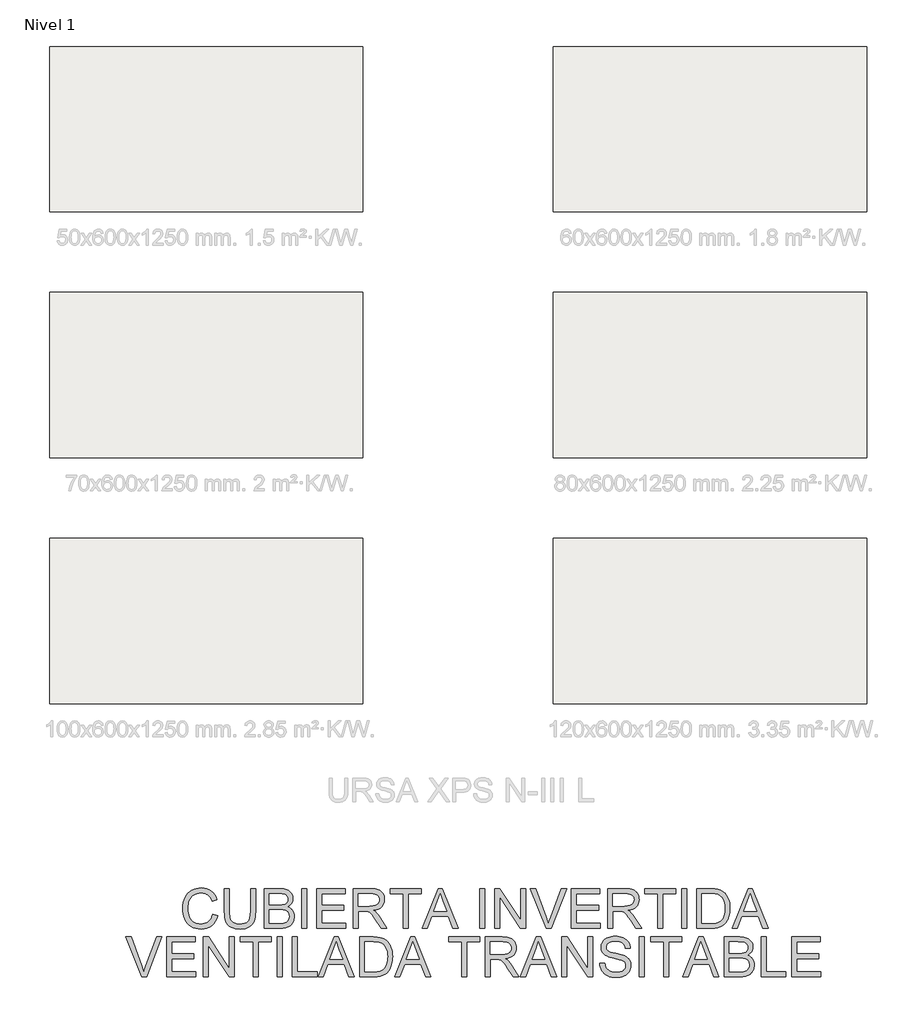
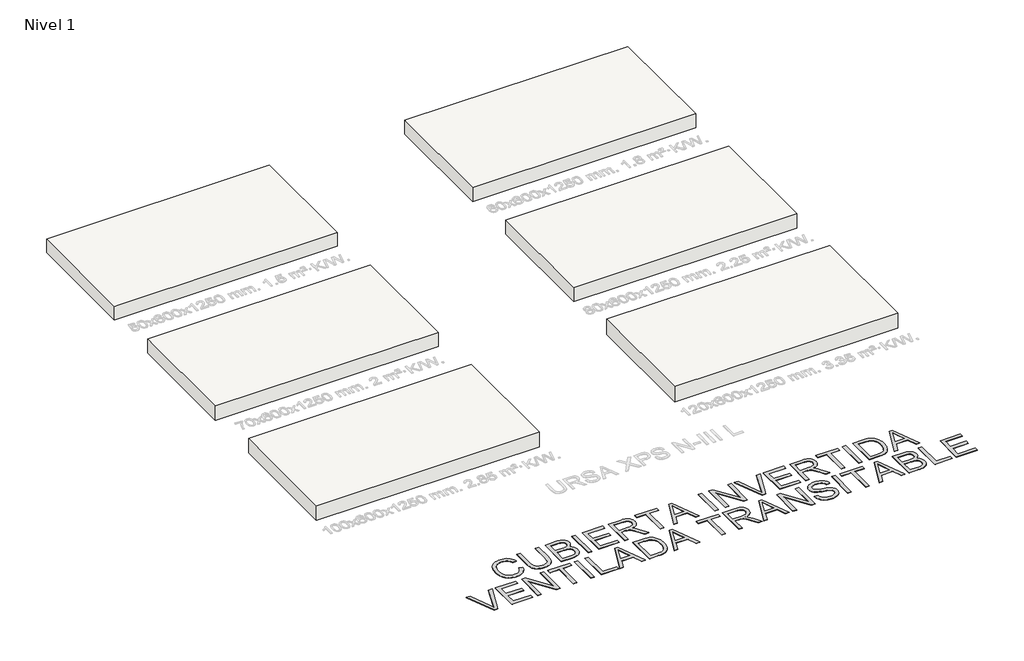
# One storey, part 1 of 7: 6 roofs, 1 proxy.
"""IFC4 building model written with IfcOpenShell, lengths in millimetres."""

import ifcopenshell
import ifcopenshell.guid

model = None  # the IFC model being written
_history = None  # IfcOwnerHistory: only IFC2X3 demands one
_inside = {}  # id of a spatial element -> (the spatial element, [elements in it])
_under = {}  # id of a project, library or spatial element -> (it, [spatial elements below it])
_declared = {}  # id of a project -> (the project, [libraries it declares])
_typed = {}  # id of a type object -> (the type object, [elements of that type])
_made_of = {}  # id of a material, layer set ... -> (it, [elements and type objects made of it])


def new_model(schema):
    """Start an empty IFC model of exactly this schema.

    Asked for "IFC4X3", IfcOpenShell would pick the latest addendum, in which some entities
    have other attributes; the version numbers below select the first issue.
    IFC2X3 requires an IfcOwnerHistory on every rooted entity: one is made here for all.
    """
    global model, _history
    if schema == "IFC4X3":
        model = ifcopenshell.file(schema_version=(4, 3, 0, 0))
    else:
        model = ifcopenshell.file(schema=schema)
    _inside.clear()
    _under.clear()
    _declared.clear()
    _typed.clear()
    _made_of.clear()
    _history = None
    if model.schema == "IFC2X3":
        org = make("IfcOrganization", Name="unknown")
        user = make(
            "IfcPersonAndOrganization",
            ThePerson=make("IfcPerson", FamilyName="unknown"),
            TheOrganization=org,
        )
        app = make(
            "IfcApplication",
            ApplicationDeveloper=org,
            Version="unknown",
            ApplicationFullName="unknown",
            ApplicationIdentifier="unknown",
        )
        _history = make(
            "IfcOwnerHistory",
            OwningUser=user,
            OwningApplication=app,
            ChangeAction="ADDED",
            CreationDate=0,
        )
    return model


def make(cls, **values):
    """One entity of the class cls with the attributes given. An attribute that is None is left unset."""
    return model.create_entity(
        cls, **{name: value for name, value in values.items() if value is not None}
    )


def rooted(cls, **values):
    """An entity with a GlobalId (a new one), such as an element, a storey or a relation."""
    return make(cls, GlobalId=ifcopenshell.guid.new(), OwnerHistory=_history, **values)


def si_unit(unit_type, name, prefix=None):
    """IfcSIUnit, for example si_unit("LENGTHUNIT", "METRE", prefix="MILLI")."""
    return make("IfcSIUnit", UnitType=unit_type, Prefix=prefix, Name=name)


def assignment(units):
    """IfcUnitAssignment: the units of a project."""
    return None if units is None else make("IfcUnitAssignment", Units=units)


def point(xyz):
    """IfcCartesianPoint."""
    return None if xyz is None else make("IfcCartesianPoint", Coordinates=xyz)


def direction(xyz):
    """IfcDirection."""
    return None if xyz is None else make("IfcDirection", DirectionRatios=xyz)


def frame(location, z_axis=None, x_axis=None):
    """IfcAxis2Placement3D, a coordinate frame: its origin and axes. An axis left out is left unset."""
    return make(
        "IfcAxis2Placement3D",
        Location=point(location),
        Axis=direction(z_axis),
        RefDirection=direction(x_axis),
    )


def origin():
    """The frame at (0, 0, 0) with its axes left unset."""
    return frame((0.0, 0.0, 0.0))


def origin_with_axes():
    """The frame at (0, 0, 0) with the z axis (0, 0, 1) and the x axis (1, 0, 0) written out."""
    return frame((0.0, 0.0, 0.0), z_axis=(0.0, 0.0, 1.0), x_axis=(1.0, 0.0, 0.0))


def place(relative_to, where):
    """IfcLocalPlacement: puts the frame where relative to a parent placement (None: the world)."""
    return make(
        "IfcLocalPlacement", PlacementRelTo=relative_to, RelativePlacement=where
    )


def context(
    kind, dimensions, precision=None, world=None, true_north=None, identifier=None
):
    """IfcGeometricRepresentationContext, for example the 3D "Model" context."""
    return make(
        "IfcGeometricRepresentationContext",
        ContextIdentifier=identifier,
        ContextType=kind,
        CoordinateSpaceDimension=dimensions,
        Precision=precision,
        WorldCoordinateSystem=world,
        TrueNorth=true_north,
    )


def project(units=None, contexts=None):
    """IfcProject with its units and contexts."""
    return rooted(
        "IfcProject",
        Name="project",
        RepresentationContexts=contexts,
        UnitsInContext=assignment(units),
    )


def spatial(cls, under=None, at=None, **own):
    """A site, building, storey or space (cls), placed at a placement, below another one or the project."""
    s = rooted(cls, ObjectPlacement=at, **own)
    if under is not None:
        _under.setdefault(under.id(), (under, []))[1].append(s)
    return s


def polyline(points):
    """IfcPolyline through the points."""
    return make("IfcPolyline", Points=[point(p) for p in points])


def outline(outer, holes=None, kind="AREA"):
    """IfcArbitraryClosedProfileDef: a profile drawn as a closed curve; with holes, ...WithVoids."""
    if holes is None:
        return make("IfcArbitraryClosedProfileDef", ProfileType=kind, OuterCurve=outer)
    return make(
        "IfcArbitraryProfileDefWithVoids",
        ProfileType=kind,
        OuterCurve=outer,
        InnerCurves=holes,
    )


def extrude(swept, where, along, depth):
    """IfcExtrudedAreaSolid: the profile swept, set in the frame where, extruded along a direction by depth."""
    return make(
        "IfcExtrudedAreaSolid",
        SweptArea=swept,
        Position=where,
        ExtrudedDirection=direction(along),
        Depth=depth,
    )


def shape(context_of_items, identifier, shape_type, items):
    """IfcShapeRepresentation: the items that make up one representation, for example the "Body"."""
    return make(
        "IfcShapeRepresentation",
        ContextOfItems=context_of_items,
        RepresentationIdentifier=identifier,
        RepresentationType=shape_type,
        Items=items,
    )


def made_of(thing, what):
    """Note that an element or type object is made of a material, layer set ...; save() writes the relation."""
    if what is not None:
        _made_of.setdefault(what.id(), (what, []))[1].append(thing)
    return thing


def element(
    cls,
    number,
    at=None,
    inside=None,
    cuts=None,
    type_object=None,
    material=None,
    context=None,
    identifier="Body",
    shape_type=None,
    held_by="IfcProductDefinitionShape",
    body=None,
    shapes=None,
    **own,
):
    """One element of the class cls, such as IfcWall. Its Tag is "e" and its number.

    at: its placement. inside: the storey or other place that contains it. cuts: it is an
    opening in that element (IfcRelVoidsElement). A single representation is given by context,
    identifier, shape_type and body (its items); several are given by shapes. held_by: the class
    of the entity that holds the representations. save() writes the other relations.
    """
    e = rooted(cls, Tag="e%d" % number, ObjectPlacement=at, **own)
    if body is not None:
        shapes = [shape(context, identifier, shape_type, body)]
    if shapes is not None:
        e.Representation = make(held_by, Representations=shapes)
    if inside is not None:
        _inside.setdefault(inside.id(), (inside, []))[1].append(e)
    if cuts is not None:
        rooted(
            "IfcRelVoidsElement", RelatingBuildingElement=cuts, RelatedOpeningElement=e
        )
    if type_object is not None:
        _typed.setdefault(type_object.id(), (type_object, []))[1].append(e)
    return made_of(e, material)


def aggregate(whole, parts):
    """IfcRelAggregates: a whole, such as a stair, and the parts it consists of."""
    return rooted("IfcRelAggregates", RelatingObject=whole, RelatedObjects=parts)


def save(model, path):
    """Write the relations noted so far, then the file.

    IfcRelAggregates (storeys below a building ...), IfcRelContainedInSpatialStructure (elements
    in a storey), IfcRelDefinesByType, IfcRelAssociatesMaterial and IfcRelDeclares: one each for
    every whole, place, type object, material and project.
    """
    for whole, parts in _under.values():
        aggregate(whole, parts)
    for where, things in _inside.values():
        rooted(
            "IfcRelContainedInSpatialStructure",
            RelatedElements=things,
            RelatingStructure=where,
        )
    for kind, things in _typed.values():
        rooted("IfcRelDefinesByType", RelatedObjects=things, RelatingType=kind)
    for what, things in _made_of.values():
        rooted("IfcRelAssociatesMaterial", RelatedObjects=things, RelatingMaterial=what)
    for by, libraries in _declared.values():
        rooted("IfcRelDeclares", RelatingContext=by, RelatedDefinitions=libraries)
    model.write(path)


model = new_model("IFC4")

# Units and contexts
model_context = context("Model", 3, world=origin())
ifc_project = project(units=[si_unit("LENGTHUNIT", "METRE", prefix="MILLI")], contexts=[model_context])

# Site, building, storey
site = spatial("IfcSite", under=ifc_project)
building = spatial("IfcBuilding", under=site)
storey = spatial("IfcBuildingStorey", under=building, Name="Nivel 1", Elevation=0.0)

# Proxy
placement = place(None, origin())
element("IfcBuildingElementProxy", 1, Name="Texto de modelo 2", ObjectType="Texto de modelo 2", at=placement, inside=storey, context=model_context, shape_type="SweptSolid", body=[
    extrude(outline(polyline([(-21908.2815562, -17259.2340137), (-21782.7111685, -17291.6076293), (-21807.5585316, -17369.698247), (-21840.6525828, -17437.9326929), (-21881.993322, -17496.310967), (-21905.7561996, -17521.8040396), (-21931.5807492, -17544.8330693), (-21988.2958902, -17582.9778337), (-22051.0197703, -17610.2240939), (-22119.7523898, -17626.5718501), (-22194.4937485, -17632.0211022), (-22271.0668529, -17627.8977581), (-22340.1443617, -17615.527726), (-22401.7262749, -17594.9110059), (-22455.8125924, -17566.0475977), (-22503.1467424, -17529.3666971), (-22544.4721532, -17485.2974997), (-22579.7888247, -17433.8400057), (-22609.096757, -17374.9942149), (-22632.1123743, -17311.3046444), (-22648.552101, -17245.3158116), (-22658.415937, -17177.0277162), (-22661.7038823, -17106.4403584), (-22657.9867413, -17030.7026526), (-22646.8353184, -16959.9620106), (-22628.2496134, -16894.2184324), (-22602.2296264, -16833.471918), (-22569.3578373, -16778.7264786), (-22530.2167259, -16730.9861255), (-22484.8062921, -16690.2508587), (-22433.126536, -16656.5206783), (-22376.9325612, -16630.0714957), (-22317.9794715, -16611.1792224), (-22256.2672668, -16599.8438584), (-22191.7959472, -16596.0654037), (-22119.9746518, -16600.9551686), (-22054.1161105, -16615.6244631), (-21994.2203231, -16640.0732874), (-21940.2872898, -16674.3016414), (-21893.2060586, -16717.4051485), (-21853.8656778, -16768.4794321), (-21822.2661472, -16827.5244924), (-21798.407467, -16894.5403292), (-21923.9778547, -16924.4613981), (-21943.7515119, -16875.0809045), (-21967.5105574, -16832.8894381), (-21995.2549912, -16797.8869991), (-22026.9848133, -16770.0735875), (-22062.8839647, -16748.8820517), (-22103.1363863, -16733.7452404), (-22147.7420782, -16724.6631537), (-22196.7010404, -16721.6357914), (-22253.0329709, -16724.9927146), (-22304.5517787, -16735.0634842), (-22351.2574636, -16751.8481003), (-22393.1500258, -16775.3465627), (-22429.7006349, -16804.5012108), (-22460.3804605, -16838.2543839), (-22485.1895025, -16876.6060819), (-22504.1277611, -16919.5563048), (-22518.1302695, -16965.1583438), (-22528.1320612, -17011.46549), (-22534.1331363, -17058.4777433), (-22536.1334946, -17106.1951037), (-22533.7652543, -17166.1598689), (-22526.6605333, -17222.2005595), (-22514.8193315, -17274.3171755), (-22498.2416491, -17322.5097169), (-22476.6592388, -17365.8201576), (-22449.8038531, -17403.2904717), (-22417.6754922, -17434.920659), (-22380.274156, -17460.7107197), (-22339.4162619, -17480.7219674), (-22296.9182273, -17495.0157158), (-22252.7800521, -17503.5919648), (-22207.0017363, -17506.4507145), (-22152.409581, -17502.5572967), (-22102.1860245, -17490.8770433), (-22056.3310666, -17471.4099544), (-22014.8447075, -17444.15603), (-21978.7079657, -17409.2378972), (-21948.9018598, -17366.7781836), (-21925.42639, -17316.7768891), (-21908.2815562, -17259.2340137)])), origin_with_axes(), (0.0, 0.0, 1.0), 10.0),
    extrude(outline(polyline([(-20950.8073501, -16611.7617022), (-20825.2369624, -16611.7617022), (-20825.2369624, -17191.2984719), (-20827.3676123, -17263.0584536), (-20833.759562, -17327.0162713), (-20844.4128114, -17383.171925), (-20859.3273606, -17431.5254148), (-20879.7907966, -17473.9084863), (-20907.0907063, -17512.1528854), (-20941.2270898, -17546.258612), (-20982.199947, -17576.2256662), (-21030.0552632, -17600.6361694), (-21084.8390237, -17618.0722432), (-21146.5512284, -17628.5338874), (-21215.1918773, -17632.0211022), (-21282.1387362, -17628.9860757), (-21342.6936455, -17619.8809963), (-21396.856605, -17604.705864), (-21444.6276149, -17583.4606788), (-21486.0143394, -17556.4596732), (-21521.0244426, -17524.0170797), (-21549.6579246, -17486.1328984), (-21571.9147853, -17442.8071293), (-21588.5997666, -17392.5529159), (-21600.5176104, -17333.8834019), (-21607.6683167, -17266.7985872), (-21610.0518854, -17191.2984719), (-21610.0518854, -16611.7617022), (-21484.4814978, -16611.7617022), (-21484.4814978, -17186.883888), (-21482.9333277, -17247.5920814), (-21478.2888175, -17299.73169), (-21470.5479672, -17343.3027138), (-21459.7107768, -17378.3051528), (-21445.1027959, -17407.2681957), (-21426.0495742, -17432.7210313), (-21402.5511118, -17454.6636594), (-21374.6074085, -17473.0960802), (-21342.7549591, -17487.6887327), (-21307.5302581, -17498.1120559), (-21268.9333054, -17504.3660498), (-21226.9641011, -17506.4507145), (-21157.7563008, -17502.3273704), (-21099.2477351, -17489.9573384), (-21051.4384042, -17469.3406182), (-21031.5459517, -17455.9397501), (-21014.3283079, -17440.47721), (-20999.4405834, -17422.0831102), (-20986.5378889, -17399.8875632), (-20966.6875895, -17344.0921273), (-20954.77741, -17273.0909022), (-20950.8073501, -17186.883888), (-20950.8073501, -16611.7617022)])), origin_with_axes(), (0.0, 0.0, 1.0), 10.0),
    extrude(outline(polyline([(-20605.488784, -17616.3248037), (-20605.488784, -16611.7617022), (-20222.155745, -16611.7617022), (-20166.5519142, -16613.6087764), (-20116.7268965, -16619.1499989), (-20072.6806918, -16628.3853699), (-20034.4133001, -16641.3148891), (-20000.951367, -16658.0765125), (-19971.3215379, -16678.8081958), (-19945.523813, -16703.509939), (-19923.5581922, -16732.181742), (-19906.0148196, -16763.2064569), (-19893.4838391, -16794.9669358), (-19885.9652508, -16827.4631787), (-19883.4590548, -16860.6951856), (-19885.566712, -16891.3903396), (-19891.8896838, -16921.181117), (-19902.4279701, -16950.0675178), (-19917.181571, -16978.0495421), (-19936.1964716, -17004.25347), (-19959.5186573, -17027.8055819), (-19987.1481279, -17048.7058778), (-20019.0848836, -17066.9543576), (-19981.1853739, -17083.1105085), (-19947.9303744, -17104.1104391), (-19919.3198851, -17129.9541492), (-19895.3539059, -17160.641639), (-19876.4156474, -17195.237875), (-19862.8883199, -17232.8078237), (-19854.7719233, -17273.3514853), (-19852.0664578, -17316.8688596), (-19853.913532, -17352.5304205), (-19859.4547546, -17386.9197229), (-19868.6901255, -17420.0367666), (-19881.6196448, -17451.8815519), (-19897.2776222, -17481.296783), (-19914.6983675, -17507.1251648), (-19933.8818807, -17529.3666971), (-19954.8281618, -17548.0213799), (-19978.0277201, -17563.8556341), (-20003.971065, -17577.6358805), (-20064.0891144, -17599.0343499), (-20137.1443473, -17612.0021903), (-20225.0988009, -17616.3248037), (-20605.488784, -17616.3248037)]), holes=[polyline([(-20479.9183963, -17019.8654622), (-20250.6052859, -17019.8654622), (-20170.407011, -17017.1676609), (-20116.6962397, -17009.074257), (-20091.6112861, -17000.9272036), (-20069.8219421, -16990.4655594), (-20051.3282077, -16977.6893243), (-20036.1300827, -16962.5984983), (-20024.2735526, -16945.3003803), (-20015.8046025, -16925.9022692), (-20010.7232325, -16904.4041652), (-20009.0294424, -16880.806068), (-20010.6082693, -16858.2119821), (-20015.34475, -16837.0281106), (-20023.2388845, -16817.2544533), (-20034.2906728, -16798.8910104), (-20048.285517, -16782.6198963), (-20065.0088194, -16769.1232256), (-20084.4605799, -16758.4009983), (-20106.6407985, -16750.4532144), (-20170.5296383, -16740.612371), (-20268.018367, -16737.3320899), (-20479.9183963, -16737.3320899), (-20479.9183963, -17019.8654622)]), polyline([(-20479.9183963, -17490.754416), (-20222.4009996, -17490.754416), (-20165.992427, -17489.5281427), (-20129.2042275, -17485.8493227), (-20085.9474363, -17474.966147), (-20050.3548532, -17458.5034278), (-20021.4148029, -17434.9283232), (-19998.1156099, -17402.7079918), (-19982.7565366, -17363.2833047), (-19977.6368455, -17318.0951329), (-19979.1390303, -17290.933179), (-19983.6455848, -17265.610635), (-19991.1565088, -17242.1275009), (-20001.6718025, -17220.4837769), (-20015.5516836, -17201.3002637), (-20033.15637, -17185.1977622), (-20054.4858615, -17172.1762724), (-20079.5401582, -17162.2357943), (-20109.4229061, -17154.8858186), (-20145.2377512, -17149.635836), (-20234.6637328, -17145.4358499), (-20479.9183963, -17145.4358499), (-20479.9183963, -17490.754416)])]), origin_with_axes(), (0.0, 0.0, 1.0), 10.0),
    extrude(outline(polyline([(-19663.7108763, -17616.3248037), (-19663.7108763, -16611.7617022), (-19538.1404886, -16611.7617022), (-19538.1404886, -17616.3248037), (-19663.7108763, -17616.3248037)])), origin_with_axes(), (0.0, 0.0, 1.0), 10.0),
    extrude(outline(polyline([(-19286.9997132, -17616.3248037), (-19286.9997132, -16611.7617022), (-18564.969984, -16611.7617022), (-18564.969984, -16737.3320899), (-19161.4293256, -16737.3320899), (-19161.4293256, -17035.5617606), (-18596.362581, -17035.5617606), (-18596.362581, -17161.1321483), (-19161.4293256, -17161.1321483), (-19161.4293256, -17490.754416), (-18549.2736856, -17490.754416), (-18549.2736856, -17616.3248037), (-19286.9997132, -17616.3248037)])), origin_with_axes(), (0.0, 0.0, 1.0), 10.0),
    extrude(outline(polyline([(-18360.918104, -17616.3248037), (-18360.918104, -16611.7617022), (-17928.0436231, -16611.7617022), (-17865.9098869, -16613.4554922), (-17811.7009421, -16618.5368623), (-17765.4167886, -16627.0058124), (-17727.0574264, -16638.8623425), (-17694.3925709, -16655.0184935), (-17665.1919375, -16676.386306), (-17639.4555263, -16702.9657802), (-17617.1833371, -16734.7569159), (-17599.2107688, -16770.0505948), (-17586.37322, -16807.1376985), (-17578.6706908, -16846.0182268), (-17576.103181, -16886.6921799), (-17580.3568166, -16938.2876298), (-17593.1177233, -16985.6524366), (-17614.3859011, -17028.7866006), (-17644.1613501, -17067.6901216), (-17682.8272806, -17101.1213979), (-17730.7669031, -17127.8388278), (-17787.9802176, -17147.8424113), (-17854.467224, -17161.1321483), (-17813.0804996, -17188.171475), (-17783.098117, -17214.8429196), (-17731.6559513, -17275.8500172), (-17681.3174316, -17344.0921273), (-17513.8084965, -17616.3248037), (-17659.7350212, -17616.3248037), (-17790.4557569, -17408.1035944), (-17842.7563138, -17328.6410835), (-17884.8788023, -17270.2704736), (-17919.980876, -17230.0793656), (-17951.2201888, -17205.1553604), (-17980.8040325, -17190.5320511), (-18010.9396993, -17181.2430307), (-18083.7803343, -17176.8284468), (-18235.3477164, -17176.8284468), (-18235.3477164, -17616.3248037), (-18360.918104, -17616.3248037)]), holes=[polyline([(-18235.3477164, -17051.2580591), (-17954.285872, -17051.2580591), (-17873.5664309, -17046.8128183), (-17810.9345213, -17033.477096), (-17785.749933, -17023.2530422), (-17763.7843122, -17010.361844), (-17745.0376589, -16994.8035013), (-17729.509973, -16976.5780141), (-17717.3315461, -16956.5820948), (-17708.6326698, -16935.7124558), (-17703.413344, -16913.969097), (-17701.6735687, -16891.3520185), (-17704.9921709, -16859.238986), (-17714.9479773, -16830.0996663), (-17731.5409882, -16803.9340594), (-17754.7712033, -16780.7421653), (-17785.1751174, -16761.7502573), (-17823.2892249, -16748.1846087), (-17869.113526, -16740.0452196), (-17922.6480205, -16737.3320899), (-18235.3477164, -16737.3320899), (-18235.3477164, -17051.2580591)])]), origin_with_axes(), (0.0, 0.0, 1.0), 10.0),
    extrude(outline(polyline([(-17105.2142272, -17616.3248037), (-17105.2142272, -16737.3320899), (-17434.8364949, -16737.3320899), (-17434.8364949, -16611.7617022), (-16650.0215718, -16611.7617022), (-16650.0215718, -16737.3320899), (-16979.6438395, -16737.3320899), (-16979.6438395, -17616.3248037), (-17105.2142272, -17616.3248037)])), origin_with_axes(), (0.0, 0.0, 1.0), 10.0),
    extrude(outline(polyline([(-16625.7413601, -17616.3248037), (-16224.7499854, -16611.7617022), (-16117.8189521, -16611.7617022), (-15716.8275774, -17616.3248037), (-15849.5103503, -17616.3248037), (-15964.5347875, -17302.3988345), (-16378.2794047, -17302.3988345), (-16493.0585872, -17616.3248037), (-16625.7413601, -17616.3248037)]), holes=[polyline([(-16332.171528, -17176.8284468), (-16010.3974095, -17176.8284468), (-16100.8963803, -16929.8570007), (-16171.2844688, -16737.3320899), (-16233.8244079, -16908.2745903), (-16332.171528, -17176.8284468)])]), origin_with_axes(), (0.0, 0.0, 1.0), 10.0),
    extrude(outline(polyline([(-15174.5695165, -17616.3248037), (-15174.5695165, -16611.7617022), (-15048.9991288, -16611.7617022), (-15048.9991288, -17616.3248037), (-15174.5695165, -17616.3248037)])), origin_with_axes(), (0.0, 0.0, 1.0), 10.0),
    extrude(outline(polyline([(-14797.8583534, -17616.3248037), (-14797.8583534, -16611.7617022), (-14663.4587979, -16611.7617022), (-14138.6138181, -17407.6130851), (-14138.6138181, -16611.7617022), (-14013.0434304, -16611.7617022), (-14013.0434304, -17616.3248037), (-14147.442986, -17616.3248037), (-14672.2879657, -16820.2281661), (-14672.2879657, -17616.3248037), (-14797.8583534, -17616.3248037)])), origin_with_axes(), (0.0, 0.0, 1.0), 10.0),
    extrude(outline(polyline([(-13496.5371092, -17616.3248037), (-13896.3022106, -16611.7617022), (-13761.902655, -16611.7617022), (-13494.3298172, -17335.508214), (-13464.5926892, -17419.8145046), (-13440.1285366, -17498.6025652), (-13415.2351882, -17416.994076), (-13386.6630199, -17335.508214), (-13118.3544181, -16611.7617022), (-12983.9548625, -16611.7617022), (-13366.7973922, -17616.3248037), (-13496.5371092, -17616.3248037)])), origin_with_axes(), (0.0, 0.0, 1.0), 10.0),
    extrude(outline(polyline([(-12867.2136427, -17616.3248037), (-12867.2136427, -16611.7617022), (-12145.1839135, -16611.7617022), (-12145.1839135, -16737.3320899), (-12741.6432551, -16737.3320899), (-12741.6432551, -17035.5617606), (-12176.5765105, -17035.5617606), (-12176.5765105, -17161.1321483), (-12741.6432551, -17161.1321483), (-12741.6432551, -17490.754416), (-12129.4876151, -17490.754416), (-12129.4876151, -17616.3248037), (-12867.2136427, -17616.3248037)])), origin_with_axes(), (0.0, 0.0, 1.0), 10.0),
    extrude(outline(polyline([(-11941.1320335, -17616.3248037), (-11941.1320335, -16611.7617022), (-11508.2575526, -16611.7617022), (-11446.1238164, -16613.4554922), (-11391.9148716, -16618.5368623), (-11345.6307181, -16627.0058124), (-11307.2713559, -16638.8623425), (-11274.6065004, -16655.0184935), (-11245.405867, -16676.386306), (-11219.6694558, -16702.9657802), (-11197.3972666, -16734.7569159), (-11179.4246983, -16770.0505948), (-11166.5871495, -16807.1376985), (-11158.8846203, -16846.0182268), (-11156.3171105, -16886.6921799), (-11160.5707461, -16938.2876298), (-11173.3316528, -16985.6524366), (-11194.5998306, -17028.7866006), (-11224.3752796, -17067.6901216), (-11263.0412101, -17101.1213979), (-11310.9808326, -17127.8388278), (-11368.1941471, -17147.8424113), (-11434.6811535, -17161.1321483), (-11393.2944291, -17188.171475), (-11363.3120465, -17214.8429196), (-11311.8698808, -17275.8500172), (-11261.5313611, -17344.0921273), (-11094.022426, -17616.3248037), (-11239.9489507, -17616.3248037), (-11370.6696864, -17408.1035944), (-11422.9702433, -17328.6410835), (-11465.0927318, -17270.2704736), (-11500.1948055, -17230.0793656), (-11531.4341183, -17205.1553604), (-11561.017962, -17190.5320511), (-11591.1536288, -17181.2430307), (-11663.9942638, -17176.8284468), (-11815.5616459, -17176.8284468), (-11815.5616459, -17616.3248037), (-11941.1320335, -17616.3248037)]), holes=[polyline([(-11815.5616459, -17051.2580591), (-11534.4998015, -17051.2580591), (-11453.7803604, -17046.8128183), (-11391.1484508, -17033.477096), (-11365.9638625, -17023.2530422), (-11343.9982417, -17010.361844), (-11325.2515884, -16994.8035013), (-11309.7239025, -16976.5780141), (-11297.5454756, -16956.5820948), (-11288.8465993, -16935.7124558), (-11283.6272735, -16913.969097), (-11281.8874982, -16891.3520185), (-11285.2061004, -16859.238986), (-11295.1619068, -16830.0996663), (-11311.7549177, -16803.9340594), (-11334.9851328, -16780.7421653), (-11365.3890469, -16761.7502573), (-11403.5031544, -16748.1846087), (-11449.3274555, -16740.0452196), (-11502.86195, -16737.3320899), (-11815.5616459, -16737.3320899), (-11815.5616459, -17051.2580591)])]), origin_with_axes(), (0.0, 0.0, 1.0), 10.0),
    extrude(outline(polyline([(-10685.4281567, -17616.3248037), (-10685.4281567, -16737.3320899), (-11015.0504244, -16737.3320899), (-11015.0504244, -16611.7617022), (-10230.2355013, -16611.7617022), (-10230.2355013, -16737.3320899), (-10559.857769, -16737.3320899), (-10559.857769, -17616.3248037), (-10685.4281567, -17616.3248037)])), origin_with_axes(), (0.0, 0.0, 1.0), 10.0),
    extrude(outline(polyline([(-10073.2725167, -17616.3248037), (-10073.2725167, -16611.7617022), (-9947.702129, -16611.7617022), (-9947.702129, -17616.3248037), (-10073.2725167, -17616.3248037)])), origin_with_axes(), (0.0, 0.0, 1.0), 10.0),
    extrude(outline(polyline([(-9696.5613536, -17616.3248037), (-9696.5613536, -16611.7617022), (-9350.0165142, -16611.7617022), (-9246.4577325, -16615.3792085), (-9170.7353552, -16626.2317273), (-9129.1340329, -16638.1725638), (-9090.6597076, -16654.1294453), (-9055.3123792, -16674.102372), (-9023.0920478, -16698.0913437), (-8985.8593242, -16734.0211519), (-8953.6236644, -16774.6107987), (-8926.3850683, -16819.8602841), (-8904.143536, -16869.7696081), (-8886.8684107, -16923.8789183), (-8874.5290354, -16981.728362), (-8867.1254103, -17043.3179394), (-8864.6575352, -17108.6476504), (-8866.3283326, -17164.174839), (-8871.3407248, -17216.4677318), (-8879.6947118, -17265.5263287), (-8891.3902935, -17311.3506297), (-8921.9244991, -17392.1313845), (-8940.0426874, -17426.7965983), (-8960.0615993, -17457.6450364), (-9003.9621841, -17509.3631136), (-9051.7868434, -17548.7571439), (-9106.6932312, -17577.9731057), (-9171.8390012, -17599.1569773), (-9247.3467807, -17612.0328471), (-9333.3391971, -17616.3248037), (-9696.5613536, -17616.3248037)]), holes=[polyline([(-9570.990966, -17490.754416), (-9348.7902409, -17490.754416), (-9256.8810557, -17486.2172047), (-9219.2497933, -17480.5456906), (-9187.1674177, -17472.6055709), (-9134.5602923, -17450.7165922), (-9112.7632841, -17436.9670026), (-9093.9706455, -17421.3473463), (-9070.8017441, -17396.1704222), (-9050.3459723, -17366.9927815), (-9032.6033302, -17333.814424), (-9017.5738179, -17296.6353499), (-9005.6099888, -17255.378917), (-8997.0643966, -17209.9684832), (-8991.9370413, -17160.4040485), (-8990.2279229, -17106.685613), (-8993.5771819, -17033.7836643), (-9003.6249589, -16969.8335108), (-9020.3712539, -16914.8351526), (-9043.8160669, -16868.7885895), (-9072.0586742, -16830.6514893), (-9103.1983523, -16799.3815197), (-9137.235101, -16774.9786807), (-9174.1689205, -16757.4429723), (-9206.0826836, -16748.6444612), (-9246.3964189, -16742.3598105), (-9352.2238062, -16737.3320899), (-9570.990966, -16737.3320899), (-9570.990966, -17490.754416)])]), origin_with_axes(), (0.0, 0.0, 1.0), 10.0),
    extrude(outline(polyline([(-8808.9847266, -17616.3248037), (-8407.9933519, -16611.7617022), (-8301.0623186, -16611.7617022), (-7900.0709439, -17616.3248037), (-8032.7537168, -17616.3248037), (-8147.7781539, -17302.3988345), (-8561.5227712, -17302.3988345), (-8676.3019537, -17616.3248037), (-8808.9847266, -17616.3248037)]), holes=[polyline([(-8515.4148945, -17176.8284468), (-8193.640776, -17176.8284468), (-8284.1397468, -16929.8570007), (-8354.5278352, -16737.3320899), (-8417.0677744, -16908.2745903), (-8515.4148945, -17176.8284468)])]), origin_with_axes(), (0.0, 0.0, 1.0), 10.0),
    extrude(outline(polyline([(-23699.1311087, -18836.0729821), (-24098.8962101, -17831.5098807), (-23964.4966546, -17831.5098807), (-23696.9238168, -18555.2563925), (-23667.1866888, -18639.5626831), (-23642.7225361, -18718.3507437), (-23617.8291878, -18636.7422544), (-23589.2570195, -18555.2563925), (-23320.9484177, -17831.5098807), (-23186.5488621, -17831.5098807), (-23569.3913918, -18836.0729821), (-23699.1311087, -18836.0729821)])), origin_with_axes(), (0.0, 0.0, 1.0), 10.0),
    extrude(outline(polyline([(-23069.8076423, -18836.0729821), (-23069.8076423, -17831.5098807), (-22347.7779131, -17831.5098807), (-22347.7779131, -17957.0802683), (-22944.2372546, -17957.0802683), (-22944.2372546, -18255.3099391), (-22379.17051, -18255.3099391), (-22379.17051, -18380.8803268), (-22944.2372546, -18380.8803268), (-22944.2372546, -18710.5025945), (-22332.0816146, -18710.5025945), (-22332.0816146, -18836.0729821), (-23069.8076423, -18836.0729821)])), origin_with_axes(), (0.0, 0.0, 1.0), 10.0),
    extrude(outline(polyline([(-22143.7260331, -18836.0729821), (-22143.7260331, -17831.5098807), (-22009.3264775, -17831.5098807), (-21484.4814978, -18627.3612635), (-21484.4814978, -17831.5098807), (-21358.9111101, -17831.5098807), (-21358.9111101, -18836.0729821), (-21493.3106656, -18836.0729821), (-22018.1556454, -18039.9763446), (-22018.1556454, -18836.0729821), (-22143.7260331, -18836.0729821)])), origin_with_axes(), (0.0, 0.0, 1.0), 10.0),
    extrude(outline(polyline([(-20888.0221562, -18836.0729821), (-20888.0221562, -17957.0802683), (-21217.6444239, -17957.0802683), (-21217.6444239, -17831.5098807), (-20432.8295009, -17831.5098807), (-20432.8295009, -17957.0802683), (-20762.4517686, -17957.0802683), (-20762.4517686, -18836.0729821), (-20888.0221562, -18836.0729821)])), origin_with_axes(), (0.0, 0.0, 1.0), 10.0),
    extrude(outline(polyline([(-20275.8665163, -18836.0729821), (-20275.8665163, -17831.5098807), (-20150.2961286, -17831.5098807), (-20150.2961286, -18836.0729821), (-20275.8665163, -18836.0729821)])), origin_with_axes(), (0.0, 0.0, 1.0), 10.0),
    extrude(outline(polyline([(-19899.1553532, -18836.0729821), (-19899.1553532, -17831.5098807), (-19773.5849655, -17831.5098807), (-19773.5849655, -18710.5025945), (-19271.3034148, -18710.5025945), (-19271.3034148, -18836.0729821), (-19899.1553532, -18836.0729821)])), origin_with_axes(), (0.0, 0.0, 1.0), 10.0),
    extrude(outline(polyline([(-19247.0232031, -18836.0729821), (-18846.0318284, -17831.5098807), (-18739.1007951, -17831.5098807), (-18338.1094203, -18836.0729821), (-18470.7921933, -18836.0729821), (-18585.8166304, -18522.1470129), (-18999.5612477, -18522.1470129), (-19114.3404302, -18836.0729821), (-19247.0232031, -18836.0729821)]), holes=[polyline([(-18953.4533709, -18396.5766252), (-18631.6792525, -18396.5766252), (-18722.1782233, -18149.6051791), (-18792.5663117, -17957.0802683), (-18855.1062509, -18128.0227688), (-18953.4533709, -18396.5766252)])]), origin_with_axes(), (0.0, 0.0, 1.0), 10.0),
    extrude(outline(polyline([(-18203.9551194, -18836.0729821), (-18203.9551194, -17831.5098807), (-17857.41028, -17831.5098807), (-17753.8514983, -17835.1273869), (-17678.129121, -17845.9799058), (-17636.5277987, -17857.9207422), (-17598.0534734, -17873.8776238), (-17562.706145, -17893.8505504), (-17530.4858136, -17917.8395222), (-17493.25309, -17953.7693304), (-17461.0174302, -17994.3589772), (-17433.7788341, -18039.6084626), (-17411.5373018, -18089.5177866), (-17394.2621765, -18143.6270967), (-17381.9228012, -18201.4765405), (-17374.5191761, -18263.0661178), (-17372.051301, -18328.3958288), (-17373.7220984, -18383.9230174), (-17378.7344906, -18436.2159102), (-17387.0884776, -18485.2745071), (-17398.7840593, -18531.0988081), (-17429.3182649, -18611.8795629), (-17447.4364532, -18646.5447768), (-17467.4553651, -18677.3932149), (-17511.3559499, -18729.111292), (-17559.1806092, -18768.5053224), (-17614.086997, -18797.7212841), (-17679.232767, -18818.9051557), (-17754.7405465, -18831.7810255), (-17840.7329629, -18836.0729821), (-18203.9551194, -18836.0729821)]), holes=[polyline([(-18078.3847317, -18710.5025945), (-17856.1840067, -18710.5025945), (-17764.2748215, -18705.9653832), (-17726.6435591, -18700.2938691), (-17694.5611834, -18692.3537494), (-17641.9540581, -18670.4647707), (-17620.1570499, -18656.7151811), (-17601.3644113, -18641.0955247), (-17578.1955098, -18615.9186007), (-17557.7397381, -18586.7409599), (-17539.997096, -18553.5626025), (-17524.9675837, -18516.3835283), (-17513.0037546, -18475.1270954), (-17504.4581624, -18429.7166616), (-17499.3308071, -18380.152227), (-17497.6216887, -18326.4337915), (-17500.9709477, -18253.5318428), (-17511.0187247, -18189.5816893), (-17527.7650197, -18134.583331), (-17551.2098327, -18088.5367679), (-17579.45244, -18050.3996678), (-17610.592118, -18019.1296982), (-17644.6288668, -17994.7268592), (-17681.5626863, -17977.1911507), (-17713.4764494, -17968.3926397), (-17753.7901847, -17962.1079889), (-17859.617572, -17957.0802683), (-18078.3847317, -17957.0802683), (-18078.3847317, -18710.5025945)])]), origin_with_axes(), (0.0, 0.0, 1.0), 10.0),
    extrude(outline(polyline([(-17316.3784924, -18836.0729821), (-16915.3871177, -17831.5098807), (-16808.4560844, -17831.5098807), (-16407.4647097, -18836.0729821), (-16540.1474826, -18836.0729821), (-16655.1719197, -18522.1470129), (-17068.916537, -18522.1470129), (-17183.6957195, -18836.0729821), (-17316.3784924, -18836.0729821)]), holes=[polyline([(-17022.8086603, -18396.5766252), (-16701.0345418, -18396.5766252), (-16791.5335126, -18149.6051791), (-16861.921601, -17957.0802683), (-16924.4615402, -18128.0227688), (-17022.8086603, -18396.5766252)])]), origin_with_axes(), (0.0, 0.0, 1.0), 10.0),
    extrude(outline(polyline([(-15629.7621719, -18836.0729821), (-15629.7621719, -17957.0802683), (-15959.3844395, -17957.0802683), (-15959.3844395, -17831.5098807), (-15174.5695165, -17831.5098807), (-15174.5695165, -17957.0802683), (-15504.1917842, -17957.0802683), (-15504.1917842, -18836.0729821), (-15629.7621719, -18836.0729821)])), origin_with_axes(), (0.0, 0.0, 1.0), 10.0),
    extrude(outline(polyline([(-15033.3028303, -18836.0729821), (-15033.3028303, -17831.5098807), (-14600.4283493, -17831.5098807), (-14538.2946132, -17833.2036707), (-14484.0856684, -17838.2850407), (-14437.8015149, -17846.7539908), (-14399.4421527, -17858.610521), (-14366.7772972, -17874.7666719), (-14337.5766638, -17896.1344845), (-14311.8402525, -17922.7139586), (-14289.5680634, -17954.5050944), (-14271.5954951, -17989.7987733), (-14258.7579463, -18026.8858769), (-14251.0554171, -18065.7664053), (-14248.4879073, -18106.4403584), (-14252.7415429, -18158.0358082), (-14265.5024496, -18205.4006151), (-14286.7706274, -18248.534779), (-14316.5460764, -18287.4383), (-14355.2120069, -18320.8695763), (-14403.1516294, -18347.5870062), (-14460.3649439, -18367.5905897), (-14526.8519503, -18380.8803268), (-14485.4652259, -18407.9196534), (-14455.4828432, -18434.5910981), (-14404.0406776, -18495.5981956), (-14353.7021579, -18563.8403057), (-14186.1932228, -18836.0729821), (-14332.1197475, -18836.0729821), (-14462.8404832, -18627.8517729), (-14515.1410401, -18548.3892619), (-14557.2635286, -18490.018652), (-14592.3656023, -18449.827544), (-14623.604915, -18424.9035389), (-14653.1887588, -18410.2802296), (-14683.3244256, -18400.9912092), (-14756.1650606, -18396.5766252), (-14907.7324427, -18396.5766252), (-14907.7324427, -18836.0729821), (-15033.3028303, -18836.0729821)]), holes=[polyline([(-14907.7324427, -18271.0062376), (-14626.6705983, -18271.0062376), (-14545.9511572, -18266.5609968), (-14483.3192476, -18253.2252745), (-14458.1346593, -18243.0012207), (-14436.1690385, -18230.1100224), (-14417.4223852, -18214.5516797), (-14401.8946993, -18196.3261925), (-14389.7162724, -18176.3302733), (-14381.0173961, -18155.4606342), (-14375.7980703, -18133.7172755), (-14374.058295, -18111.100197), (-14377.3768971, -18078.9871645), (-14387.3327036, -18049.8478448), (-14403.9257145, -18023.6822379), (-14427.1559296, -18000.4903438), (-14457.5598437, -17981.4984358), (-14495.6739512, -17967.9327872), (-14541.4982522, -17959.7933981), (-14595.0327468, -17957.0802683), (-14907.7324427, -17957.0802683), (-14907.7324427, -18271.0062376)])]), origin_with_axes(), (0.0, 0.0, 1.0), 10.0),
    extrude(outline(polyline([(-14145.7262033, -18836.0729821), (-13744.7348286, -17831.5098807), (-13637.8037953, -17831.5098807), (-13236.8124206, -18836.0729821), (-13369.4951935, -18836.0729821), (-13484.5196306, -18522.1470129), (-13898.2642479, -18522.1470129), (-14013.0434304, -18836.0729821), (-14145.7262033, -18836.0729821)]), holes=[polyline([(-13852.1563712, -18396.5766252), (-13530.3822527, -18396.5766252), (-13620.8812235, -18149.6051791), (-13691.2693119, -17957.0802683), (-13753.8092511, -18128.0227688), (-13852.1563712, -18396.5766252)])]), origin_with_axes(), (0.0, 0.0, 1.0), 10.0),
    extrude(outline(polyline([(-13102.6581197, -18836.0729821), (-13102.6581197, -17831.5098807), (-12968.2585641, -17831.5098807), (-12443.4135843, -18627.3612635), (-12443.4135843, -17831.5098807), (-12317.8431966, -17831.5098807), (-12317.8431966, -18836.0729821), (-12452.2427522, -18836.0729821), (-12977.087732, -18039.9763446), (-12977.087732, -18836.0729821), (-13102.6581197, -18836.0729821)])), origin_with_axes(), (0.0, 0.0, 1.0), 10.0),
    extrude(outline(polyline([(-12145.1839135, -18490.754416), (-12019.6135259, -18490.754416), (-12013.8653697, -18527.3050251), (-12005.2048144, -18560.4373973), (-11993.6318599, -18590.1515326), (-11979.1465064, -18616.447431), (-11961.0129897, -18639.853923), (-11938.4955459, -18660.8998388), (-11911.594175, -18679.5851784), (-11880.308877, -18695.909942), (-11845.7892831, -18709.161358), (-11809.1850246, -18718.6266552), (-11770.4961015, -18724.3058335), (-11729.7225137, -18726.1988929), (-11659.7636209, -18720.4660652), (-11628.0491272, -18713.3000305), (-11598.5112687, -18703.2675819), (-11571.8781451, -18690.7289372), (-11548.8778562, -18676.0443142), (-11529.510402, -18659.213713), (-11513.7757825, -18640.2371334), (-11501.5973556, -18619.9346458), (-11492.8984793, -18599.1263204), (-11487.6791535, -18577.8121573), (-11485.9393782, -18555.9921565), (-11491.1510398, -18513.9616385), (-11506.7860246, -18477.6332915), (-11519.9378059, -18461.5154616), (-11538.5465035, -18446.6392334), (-11562.6121173, -18433.004607), (-11592.1346475, -18420.6115823), (-11658.4453771, -18400.8992387), (-11774.9719991, -18372.6642956), (-11894.9935, -18340.9344735), (-11938.79445, -18325.644378), (-11971.7888665, -18310.737493), (-12005.3197775, -18290.7339095), (-12034.2981488, -18268.4923773), (-12058.7239805, -18244.0128962), (-12078.5972724, -18217.2954663), (-12093.9946668, -18188.6159991), (-12104.9928056, -18158.250406), (-12111.5916889, -18126.1986872), (-12113.7913166, -18092.4608426), (-12111.0705227, -18055.0671706), (-12102.9081409, -18018.9151004), (-12089.3041713, -17984.0046319), (-12070.2586139, -17950.3357651), (-12045.9860664, -17919.2803933), (-12016.7011267, -17892.2104099), (-11982.4037949, -17869.1258147), (-11943.0940709, -17850.0266077), (-11900.0978627, -17835.0584091), (-11854.7410783, -17824.3668386), (-11807.0237179, -17817.9518963), (-11756.9457813, -17815.8135822), (-11702.315305, -17818.051531), (-11650.9957667, -17824.7653774), (-11602.9871663, -17835.9551214), (-11558.2895039, -17851.6207631), (-11517.7305139, -17871.6243465), (-11482.1379309, -17895.8279161), (-11451.5117548, -17924.2314719), (-11425.8519856, -17956.8350137), (-11405.3578928, -17992.6881798), (-11390.2287458, -18030.8406084), (-11380.4645445, -18071.2922994), (-11376.065289, -18114.0432529), (-11501.6356766, -18114.0432529), (-11510.0356489, -18073.9747723), (-11524.689615, -18039.1179533), (-11545.5975751, -18009.4727958), (-11572.759529, -17985.0393), (-11606.6813147, -17965.9400931), (-11647.8687697, -17952.2978024), (-11696.3218942, -17944.112428), (-11752.040688, -17941.3839699), (-11809.5375782, -17944.0817712), (-11858.665153, -17952.1751751), (-11899.4234123, -17965.6641816), (-11931.8123563, -17984.5487906), (-11956.4911068, -18007.2501754), (-11974.1187858, -18032.189509), (-11984.6953931, -18059.3667914), (-11988.2209289, -18088.7820226), (-11985.722397, -18114.0892382), (-11978.2268014, -18137.0358776), (-11965.734142, -18157.621941), (-11948.2444188, -18175.8474281), (-11920.7145828, -18193.1072251), (-11877.365821, -18210.550963), (-11818.1981335, -18228.178642), (-11743.2115201, -18245.9902619), (-11604.7652626, -18279.6514644), (-11556.0515551, -18294.872582), (-11521.0107951, -18309.0207104), (-11482.5134771, -18330.465165), (-11449.4270902, -18354.5767641), (-11421.7516342, -18381.3555077), (-11399.4871093, -18410.8013957), (-11382.3729323, -18442.7611441), (-11370.1485202, -18477.0814685), (-11362.8138729, -18513.7623691), (-11360.3689905, -18552.8038459), (-11363.1817549, -18592.0829131), (-11371.6200482, -18630.212349), (-11385.6838703, -18667.1921537), (-11405.3732212, -18703.0223272), (-11430.3432117, -18736.3156478), (-11460.2489522, -18765.6848937), (-11495.0904428, -18791.1300651), (-11534.8676835, -18812.6511618), (-11578.4233789, -18829.7653388), (-11624.6002335, -18841.9897509), (-11673.3982473, -18849.3243982), (-11724.8174204, -18851.7692806), (-11789.0511496, -18849.132793), (-11847.8432909, -18841.2233301), (-11901.1938444, -18828.0408919), (-11949.1028101, -18809.5854785), (-11991.8614278, -18785.826433), (-12029.7609376, -18756.7330985), (-12062.8013392, -18722.3054751), (-12090.9826329, -18682.5435628), (-12113.6840177, -18638.7349486), (-12130.2846927, -18592.1672193), (-12140.784658, -18542.8403752), (-12145.1839135, -18490.754416)])), origin_with_axes(), (0.0, 0.0, 1.0), 10.0),
    extrude(outline(polyline([(-11156.3171105, -18836.0729821), (-11156.3171105, -17831.5098807), (-11030.7467228, -17831.5098807), (-11030.7467228, -18836.0729821), (-11156.3171105, -18836.0729821)])), origin_with_axes(), (0.0, 0.0, 1.0), 10.0),
    extrude(outline(polyline([(-10528.4651721, -18836.0729821), (-10528.4651721, -17957.0802683), (-10858.0874397, -17957.0802683), (-10858.0874397, -17831.5098807), (-10073.2725167, -17831.5098807), (-10073.2725167, -17957.0802683), (-10402.8947844, -17957.0802683), (-10402.8947844, -18836.0729821), (-10528.4651721, -18836.0729821)])), origin_with_axes(), (0.0, 0.0, 1.0), 10.0),
    extrude(outline(polyline([(-10048.992305, -18836.0729821), (-9648.0009303, -17831.5098807), (-9541.069897, -17831.5098807), (-9140.0785223, -18836.0729821), (-9272.7612952, -18836.0729821), (-9387.7857324, -18522.1470129), (-9801.5303496, -18522.1470129), (-9916.3095321, -18836.0729821), (-10048.992305, -18836.0729821)]), holes=[polyline([(-9755.4224729, -18396.5766252), (-9433.6483544, -18396.5766252), (-9524.1473252, -18149.6051791), (-9594.5354136, -17957.0802683), (-9657.0753528, -18128.0227688), (-9755.4224729, -18396.5766252)])]), origin_with_axes(), (0.0, 0.0, 1.0), 10.0),
    extrude(outline(polyline([(-9005.9242214, -18836.0729821), (-9005.9242214, -17831.5098807), (-8622.5911824, -17831.5098807), (-8566.9873517, -17833.3569548), (-8517.1623339, -17838.8981774), (-8473.1161292, -17848.1335483), (-8434.8487375, -17861.0630676), (-8401.3868044, -17877.824691), (-8371.7569753, -17898.5563743), (-8345.9592504, -17923.2581174), (-8323.9936296, -17951.9299204), (-8306.450257, -17982.9546353), (-8293.9192765, -18014.7151142), (-8286.4006883, -18047.2113572), (-8283.8944922, -18080.4433641), (-8286.0021494, -18111.138518), (-8292.3251212, -18140.9292954), (-8302.8634075, -18169.8156963), (-8317.6170084, -18197.7977205), (-8336.631909, -18224.0016485), (-8359.9540947, -18247.5537604), (-8387.5835653, -18268.4540562), (-8419.5203211, -18286.702536), (-8381.6208113, -18302.858687), (-8348.3658118, -18323.8586175), (-8319.7553225, -18349.7023277), (-8295.7893433, -18380.3898175), (-8276.8510848, -18414.9860534), (-8263.3237573, -18452.5560022), (-8255.2073607, -18493.0996637), (-8252.5018952, -18536.6170381), (-8254.3489694, -18572.278599), (-8259.890192, -18606.6679013), (-8269.1255629, -18639.7849451), (-8282.0550822, -18671.6297303), (-8297.7130596, -18701.0449615), (-8315.1338049, -18726.8733432), (-8334.3173181, -18749.1148755), (-8355.2635992, -18767.7695584), (-8378.4631575, -18783.6038126), (-8404.4065024, -18797.384059), (-8464.5245518, -18818.7825284), (-8537.5797847, -18831.7503687), (-8625.5342384, -18836.0729821), (-9005.9242214, -18836.0729821)]), holes=[polyline([(-8880.3538337, -18239.6136406), (-8651.0407233, -18239.6136406), (-8570.8424484, -18236.9158393), (-8517.1316771, -18228.8224354), (-8492.0467236, -18220.6753821), (-8470.2573796, -18210.2137379), (-8451.7636451, -18197.4375027), (-8436.5655202, -18182.3466767), (-8424.70899, -18165.0485587), (-8416.2400399, -18145.6504477), (-8411.1586699, -18124.1523436), (-8409.4648798, -18100.5542465), (-8411.0437067, -18077.9601606), (-8415.7801874, -18056.776289), (-8423.6743219, -18037.0026318), (-8434.7261102, -18018.6391889), (-8448.7209544, -18002.3680748), (-8465.4442568, -17988.8714041), (-8484.8960173, -17978.1491768), (-8507.0762359, -17970.2013928), (-8570.9650757, -17960.3605495), (-8668.4538045, -17957.0802683), (-8880.3538337, -17957.0802683), (-8880.3538337, -18239.6136406)]), polyline([(-8880.3538337, -18710.5025945), (-8622.8364371, -18710.5025945), (-8566.4278645, -18709.2763211), (-8529.6396649, -18705.5975012), (-8486.3828737, -18694.7143255), (-8450.7902906, -18678.2516062), (-8421.8502404, -18654.6765017), (-8398.5510473, -18622.4561703), (-8383.191974, -18583.0314831), (-8378.0722829, -18537.8433114), (-8379.5744677, -18510.6813574), (-8384.0810222, -18485.3588134), (-8391.5919463, -18461.8756794), (-8402.1072399, -18440.2319553), (-8415.9871211, -18421.0484421), (-8433.5918074, -18404.9459406), (-8454.9212989, -18391.9244508), (-8479.9755956, -18381.9839728), (-8509.8583435, -18374.6339971), (-8545.6731886, -18369.3840144), (-8635.0991702, -18365.1840283), (-8880.3538337, -18365.1840283), (-8880.3538337, -18710.5025945)])]), origin_with_axes(), (0.0, 0.0, 1.0), 10.0),
    extrude(outline(polyline([(-8079.8426122, -18836.0729821), (-8079.8426122, -17831.5098807), (-7954.2722245, -17831.5098807), (-7954.2722245, -18710.5025945), (-7451.9906737, -18710.5025945), (-7451.9906737, -18836.0729821), (-8079.8426122, -18836.0729821)])), origin_with_axes(), (0.0, 0.0, 1.0), 10.0),
    extrude(outline(polyline([(-7310.7239876, -18836.0729821), (-7310.7239876, -17831.5098807), (-6588.6942584, -17831.5098807), (-6588.6942584, -17957.0802683), (-7185.1535999, -17957.0802683), (-7185.1535999, -18255.3099391), (-6620.0868553, -18255.3099391), (-6620.0868553, -18380.8803268), (-7185.1535999, -18380.8803268), (-7185.1535999, -18710.5025945), (-6572.9979599, -18710.5025945), (-6572.9979599, -18836.0729821), (-7310.7239876, -18836.0729821)])), origin_with_axes(), (0.0, 0.0, 1.0), 10.0),
])

# Roofs
element("IfcRoof", 2, at=placement, inside=storey, context=model_context, shape_type="SweptSolid", body=[
    extrude(outline(polyline([(-18117.4596431, -7778.5622442), (-18117.4596431, -11945.3771288), (-26017.4596431, -11945.3771288), (-26017.4596431, -7778.5622442), (-18117.4596431, -7778.5622442)])), origin_with_axes(), (0.0, 0.0, 1.0), 556.0),
])
element("IfcRoof", 3, at=placement, inside=storey, context=model_context, shape_type="SweptSolid", body=[
    extrude(outline(polyline([(-5417.4596431, -7778.5622442), (-5417.4596431, -11945.3771288), (-13317.4596431, -11945.3771288), (-13317.4596431, -7778.5622442), (-5417.4596431, -7778.5622442)])), origin_with_axes(), (0.0, 0.0, 1.0), 576.0),
])
element("IfcRoof", 4, at=placement, inside=storey, context=model_context, shape_type="SweptSolid", body=[
    extrude(outline(polyline([(-18117.4596431, -1578.5622442), (-18117.4596431, -5745.3771288), (-26017.4596431, -5745.3771288), (-26017.4596431, -1578.5622442), (-18117.4596431, -1578.5622442)])), origin_with_axes(), (0.0, 0.0, 1.0), 526.0),
])
element("IfcRoof", 5, at=placement, inside=storey, context=model_context, shape_type="SweptSolid", body=[
    extrude(outline(polyline([(-5417.4596431, -1578.5622442), (-5417.4596431, -5745.3771288), (-13317.4596431, -5745.3771288), (-13317.4596431, -1578.5622442), (-5417.4596431, -1578.5622442)])), origin_with_axes(), (0.0, 0.0, 1.0), 536.0),
])
element("IfcRoof", 6, at=placement, inside=storey, context=model_context, shape_type="SweptSolid", body=[
    extrude(outline(polyline([(-18117.4596431, 4621.4377558), (-18117.4596431, 454.6228712), (-26017.4596431, 454.6228712), (-26017.4596431, 4621.4377558), (-18117.4596431, 4621.4377558)])), origin_with_axes(), (0.0, 0.0, 1.0), 506.0),
])
element("IfcRoof", 7, at=placement, inside=storey, context=model_context, shape_type="SweptSolid", body=[
    extrude(outline(polyline([(-5417.4596431, 4621.4377558), (-5417.4596431, 454.6228712), (-13317.4596431, 454.6228712), (-13317.4596431, 4621.4377558), (-5417.4596431, 4621.4377558)])), origin_with_axes(), (0.0, 0.0, 1.0), 516.0),
])

save(model, "model.ifc")
